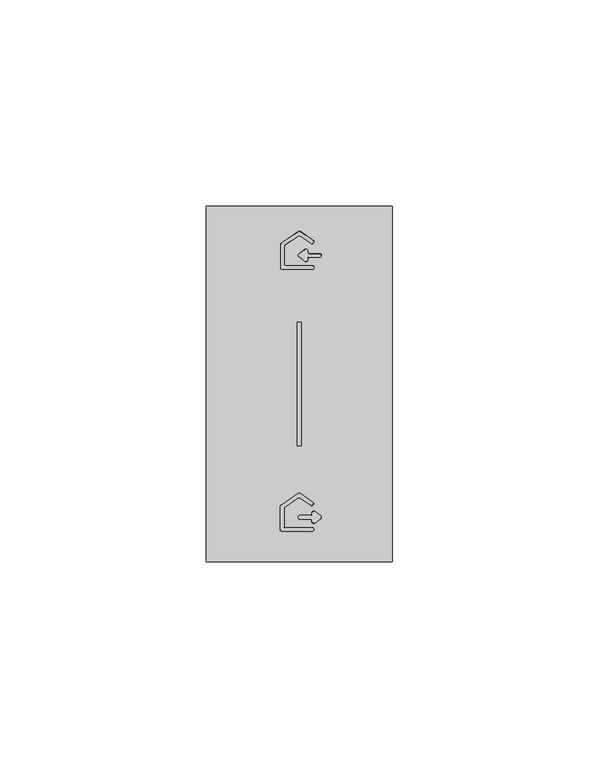
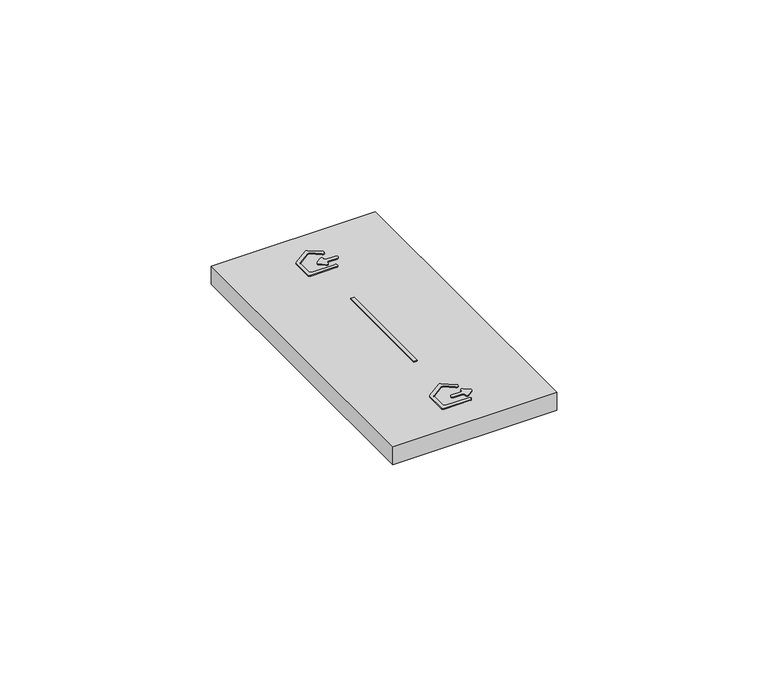
"""IFC4 building model written with IfcOpenShell, lengths in millimetres: proxy geometry."""

from ifc_helpers import new_model, si_unit, frame, origin, place, context, project, spatial, polyline, circle_curve, outline, extrude, source, transform, mapped, element, save
from ifc_brep_helpers import plane_surface, revolved_surface, advanced_brep


def electrical_fixtures_47d7e461(model_context):
    return source(origin(), model_context, "Body", "SolidModel", [
        advanced_brep(
        [(22.6469709, 10.269254, 10.9634475), (25.1969709, 10.269254, 10.9634475), (25.5500287, 9.9161962, 10.9634475), (25.5500287, 9.6612323, 10.9634475), (26.2721361, 9.3090369, 10.9634475), (27.6224284, 10.3640009, 10.9634475), (27.6224284, 11.0683915, 10.9634475), (26.2721361, 12.1233555, 10.9634475), (25.5500287, 11.7711602, 10.9634475), (25.5500287, 11.5161962, 10.9634475), (25.1969709, 11.1631385, 10.9634475), (22.6469709, 11.1631385, 10.9634475), (25.52698, 11.5161962, 10.7), (25.52698, 11.7711602, 10.7), (26.2863263, 12.1415181, 10.7), (27.6366186, 11.0865541, 10.7), (27.6366186, 10.3458383, 10.7), (26.2863263, 9.2908743, 10.7), (25.52698, 9.6612323, 10.7), (25.52698, 9.9161962, 10.7), (25.1969709, 10.2462053, 10.7), (22.6469709, 10.2462053, 10.7), (22.6469709, 11.1861872, 10.7), (25.1969709, 11.1861872, 10.7)],
        [
            (0, 1),
            (1, 2, circle_curve(frame((25.1969709, 9.9161962, 10.9634475), z_axis=(0.0, 0.0, -1.0), x_axis=(1.0000000000000002, 0.0, 0.0)), 0.3530577)),
            (2, 3),
            (3, 4, circle_curve(frame((25.9969709, 9.6612323, 10.9634475), z_axis=(0.0, 0.0, 1.0), x_axis=(-1.0000000000000002, 0.0, 0.0)), 0.4469423)),
            (4, 5),
            (5, 6, circle_curve(frame((27.3472632, 10.7161962, 10.9634475), z_axis=(0.0, 0.0, 1.0), x_axis=(0.615661475325737, -0.7880107536066608, 0.0)), 0.4469423)),
            (6, 7),
            (7, 8, circle_curve(frame((25.9969709, 11.7711602, 10.9634475), z_axis=(0.0, 0.0, 1.0), x_axis=(0.6156614753257342, 0.788010753606663, 0.0)), 0.4469423)),
            (8, 9),
            (9, 10, circle_curve(frame((25.1969709, 11.5161962, 10.9634475), z_axis=(0.0, 0.0, -1.0), x_axis=(0.0, -1.0000000000000002, 0.0)), 0.3530577)),
            (10, 11),
            (11, 0, circle_curve(frame((22.6469709, 10.7161962, 10.9634475), z_axis=(0.0, 0.0, 1.0), x_axis=(0.0, 1.0000000000000002, 0.0)), 0.4469423)),
            (12, 13),
            (13, 14, circle_curve(frame((25.9969709, 11.7711602, 10.7), z_axis=(0.0, 0.0, -1.0), x_axis=(0.6156614753257342, 0.788010753606663, 0.0)), 0.4699909)),
            (14, 15),
            (15, 16, circle_curve(frame((27.3472632, 10.7161962, 10.7), z_axis=(0.0, 0.0, -1.0), x_axis=(0.615661475325737, -0.7880107536066608, 0.0)), 0.4699909)),
            (16, 17),
            (17, 18, circle_curve(frame((25.9969709, 9.6612323, 10.7), z_axis=(0.0, 0.0, -1.0), x_axis=(-1.0000000000000002, 0.0, 0.0)), 0.4699909)),
            (18, 19),
            (19, 20, circle_curve(frame((25.1969709, 9.9161962, 10.7), z_axis=(0.0, 0.0, 1.0), x_axis=(1.0000000000000002, 0.0, 0.0)), 0.3300091)),
            (20, 21),
            (21, 22, circle_curve(frame((22.6469709, 10.7161962, 10.7), z_axis=(0.0, 0.0, -1.0), x_axis=(0.0, 1.0000000000000002, 0.0)), 0.4699909)),
            (22, 23),
            (23, 12, circle_curve(frame((25.1969709, 11.5161962, 10.7), z_axis=(0.0, 0.0, 1.0), x_axis=(0.0, -1.0000000000000002, 0.0)), 0.3300091)),
            (16, 5),
            (4, 17),
            (15, 6),
            (14, 7),
            (13, 8),
            (12, 9),
            (23, 10),
            (22, 11),
            (20, 1),
            (0, 21),
            (19, 2),
            (18, 3),
        ],
        [
            plane_surface(frame((22.4469709, 11.4661962, 10.9634475), z_axis=(0.0, 0.0, 1.0), x_axis=(1.0, 0.0, 0.0))),
            plane_surface(frame((22.4469709, 11.4661962, 10.7), z_axis=(0.0, 0.0, -1.0), x_axis=(1.0, 0.0, 0.0))),
            plane_surface(frame((23.4333997, 7.1507436, 11.5), z_axis=(0.6133186975351117, -0.7850121347851438, 0.08715574274771593), x_axis=(0.7880107536095832, 0.6156614753219962, 0.0))),
            revolved_surface(polyline([(27.622428417541567, 10.364000899266927, 10.9634475), (27.6366186, 10.3458383, 10.7)]), (27.3472632, 10.7161962, 16.0720209), (0.0, 0.0, -1.0)),
            plane_surface(frame((22.8471171, 14.739703, 11.5), z_axis=(0.6133186975322746, 0.7850121347873575, 0.08715574274773943), x_axis=(-0.7880107536118072, 0.6156614753191497, 0.0))),
            revolved_surface(polyline([(26.272136117541567, 12.123355500733075, 10.9634475), (26.2863263, 12.1415181, 10.7)]), (25.9969709, 11.7711602, 16.0720209), (0.0, 0.0, -1.0)),
            plane_surface(frame((25.5969709, 11.9475083, 11.5), z_axis=(-0.9961946980917439, 0.0, 0.0871557427476776), x_axis=(0.0, -1.0, 0.0))),
            revolved_surface(polyline([(25.1969709, 11.1631385, 10.9634475), (25.1969709, 11.18618716726766, 10.7)]), (25.1969709, 11.5161962, 6.9279791), (0.0, 0.0, 1.0)),
            plane_surface(frame((22.4469709, 11.1161962, 11.5), z_axis=(0.0, 0.9961946980917439, 0.0871557427476776), x_axis=(1.0, 0.0, 0.0))),
            plane_surface(frame((22.4469709, 10.3161962, 11.5), z_axis=(0.0, -0.9961946980917439, 0.0871557427476776), x_axis=(1.0, 0.0, 0.0))),
            revolved_surface(polyline([(25.5500287, 9.9161962, 10.9634475), (25.52698002620404, 9.9161962, 10.7)]), (25.1969709, 9.9161962, 6.9279791), (0.0, 0.0, 1.0)),
            revolved_surface(polyline([(25.550028668263323, 9.6612323, 10.9634475), (25.52698, 9.6612323, 10.7)]), (25.9969709, 9.6612323, 16.0720209), (0.0, 0.0, -1.0)),
            revolved_surface(polyline([(22.6469709, 11.16313852683261, 10.9634475), (22.6469709, 11.1861872, 10.7)]), (22.6469709, 10.7161962, 16.0720209), (0.0, 0.0, -1.0)),
        ],
        [
            (0, [[1, 2, 3, 4, 5, 6, 7, 8, 9, 10, 11, 12]]),
            (1, [[13, 14, 15, 16, 17, 18, 19, 20, 21, 22, 23, 24]]),
            (2, [[-17, 25, -5, 26]]),
            (3, [[-16, 27, -6, -25]]),
            (4, [[-15, 28, -7, -27]]),
            (5, [[-14, 29, -8, -28]]),
            (6, [[-13, 30, -9, -29]]),
            (7, [[-24, 31, -10, -30]]),
            (8, [[32, -11, -31, -23]]),
            (9, [[-21, 33, -1, 34]]),
            (10, [[-20, 35, -2, -33]]),
            (6, [[-19, 36, -3, -35]]),
            (11, [[-18, -26, -4, -36]]),
            (12, [[-22, -34, -12, -32]]),
        ],
    ),
        advanced_brep(
        [(25.5469709, 7.319254, 10.9634475), (25.5469709, 8.2131385, 10.9634475), (19.1469709, 8.2131385, 10.9634475), (18.7939132, 8.5661962, 10.9634475), (18.7939132, 12.8415158, 10.9634475), (18.9444653, 13.1307237, 10.9634475), (22.2444653, 15.4414086, 10.9634475), (22.6494765, 15.4414086, 10.9634475), (25.237793, 13.6290499, 10.9634475), (25.7505041, 14.3612772, 10.9634475), (22.7033265, 16.494934, 10.9634475), (22.1906154, 16.494934, 10.9634475), (18.0906154, 13.6240831, 10.9634475), (17.9000287, 13.2579694, 10.9634475), (17.9000287, 7.7661962, 10.9634475), (18.3469709, 7.319254, 10.9634475), (25.5469709, 8.2361872, 10.7), (25.5469709, 7.2962053, 10.7), (18.3469709, 7.2962053, 10.7), (17.87698, 7.7661962, 10.7), (17.87698, 13.2579694, 10.7), (18.0773952, 13.6429634, 10.7), (22.1773952, 16.5138143, 10.7), (22.7165467, 16.5138143, 10.7), (25.7637243, 14.3801576, 10.7), (25.2245728, 13.6101695, 10.7), (22.6362564, 15.4225282, 10.7), (22.2576855, 15.4225282, 10.7), (18.9576855, 13.1118434, 10.7), (18.8169619, 12.8415158, 10.7), (18.8169619, 8.5661962, 10.7), (19.1469709, 8.2361872, 10.7)],
        [
            (0, 1, circle_curve(frame((25.5469709, 7.7661962, 10.9634475), z_axis=(0.0, 0.0, 1.0), x_axis=(0.0, -1.0000000000000002, 0.0)), 0.4469423)),
            (1, 2),
            (2, 3, circle_curve(frame((19.1469709, 8.5661962, 10.9634475), z_axis=(0.0, 0.0, -1.0), x_axis=(-1.0000000000000002, 0.0, 0.0)), 0.3530577)),
            (3, 4),
            (4, 5, circle_curve(frame((19.1469709, 12.8415158, 10.9634475), z_axis=(0.0, 0.0, -1.0), x_axis=(-0.5735764363510132, 0.8191520442890151, 0.0)), 0.3530577)),
            (5, 6),
            (6, 7, circle_curve(frame((22.4469709, 15.1522006, 10.9634475), z_axis=(0.0, 0.0, -1.0), x_axis=(0.5735764363510097, 0.8191520442890176, 0.0)), 0.3530577)),
            (7, 8),
            (8, 9, circle_curve(frame((25.4941485, 13.9951636, 10.9634475), z_axis=(0.0, 0.0, 1.0), x_axis=(-0.5735764363510101, -0.8191520442890173, 0.0)), 0.4469423)),
            (9, 10),
            (10, 11, circle_curve(frame((22.4469709, 16.1288203, 10.9634475), z_axis=(0.0, 0.0, 1.0), x_axis=(0.5735764363510104, 0.8191520442890172, 0.0)), 0.4469423)),
            (11, 12),
            (12, 13, circle_curve(frame((18.3469709, 13.2579694, 10.9634475), z_axis=(0.0, 0.0, 1.0), x_axis=(-0.5735764363510132, 0.8191520442890152, 0.0)), 0.4469423)),
            (13, 14),
            (14, 15, circle_curve(frame((18.3469709, 7.7661962, 10.9634475), z_axis=(0.0, 0.0, 1.0), x_axis=(-1.0000000000000002, 0.0, 0.0)), 0.4469423)),
            (15, 0),
            (16, 17, circle_curve(frame((25.5469709, 7.7661962, 10.7), z_axis=(0.0, 0.0, -1.0), x_axis=(0.0, -1.0000000000000002, 0.0)), 0.4699909)),
            (17, 18),
            (18, 19, circle_curve(frame((18.3469709, 7.7661962, 10.7), z_axis=(0.0, 0.0, -1.0), x_axis=(-1.0000000000000002, 0.0, 0.0)), 0.4699909)),
            (19, 20),
            (20, 21, circle_curve(frame((18.3469709, 13.2579694, 10.7), z_axis=(0.0, 0.0, -1.0), x_axis=(-0.5735764363510132, 0.8191520442890152, 0.0)), 0.4699909)),
            (21, 22),
            (22, 23, circle_curve(frame((22.4469709, 16.1288203, 10.7), z_axis=(0.0, 0.0, -1.0), x_axis=(0.5735764363510104, 0.8191520442890172, 0.0)), 0.4699909)),
            (23, 24),
            (24, 25, circle_curve(frame((25.4941485, 13.9951636, 10.7), z_axis=(0.0, 0.0, -1.0), x_axis=(-0.5735764363510101, -0.8191520442890173, 0.0)), 0.4699909)),
            (25, 26),
            (26, 27, circle_curve(frame((22.4469709, 15.1522006, 10.7), z_axis=(0.0, 0.0, 1.0), x_axis=(0.5735764363510097, 0.8191520442890176, 0.0)), 0.3300091)),
            (27, 28),
            (28, 29, circle_curve(frame((19.1469709, 12.8415158, 10.7), z_axis=(0.0, 0.0, 1.0), x_axis=(-0.5735764363510132, 0.8191520442890151, 0.0)), 0.3300091)),
            (29, 30),
            (30, 31, circle_curve(frame((19.1469709, 8.5661962, 10.7), z_axis=(0.0, 0.0, 1.0), x_axis=(-1.0000000000000002, 0.0, 0.0)), 0.3300091)),
            (31, 16),
            (23, 10),
            (9, 24),
            (22, 11),
            (21, 12),
            (20, 13),
            (19, 14),
            (18, 15),
            (17, 0),
            (31, 2),
            (1, 16),
            (30, 3),
            (29, 4),
            (28, 5),
            (27, 6),
            (26, 7),
            (25, 8),
        ],
        [
            plane_surface(frame((22.4469709, 11.4661962, 10.9634475), z_axis=(0.0, 0.0, 1.0), x_axis=(1.0, 0.0, 0.0))),
            plane_surface(frame((22.4469709, 11.4661962, 10.7), z_axis=(0.0, 0.0, -1.0), x_axis=(1.0, 0.0, 0.0))),
            plane_surface(frame((22.8471171, 16.3369448, 11.5), z_axis=(0.5713938048422734, 0.816034923452397, 0.08715574274774218), x_axis=(0.8191520442896891, -0.5735764363500503, 0.0))),
            revolved_surface(polyline([(22.703326522362474, 16.494933936594304, 10.9634475), (22.7165467, 16.5138143, 10.7)]), (22.4469709, 16.1288203, 16.0720209), (0.0, 0.0, -1.0)),
            plane_surface(frame((22.8471171, 16.8973155, 11.5), z_axis=(-0.571393804832955, 0.8160349234589273, 0.08715574274769256), x_axis=(0.8191520442962407, 0.5735764363406937, 0.0))),
            revolved_surface(polyline([(18.09061537273346, 13.624083036594302, 10.9634475), (18.0773952, 13.6429634, 10.7)]), (18.3469709, 13.2579694, 16.0720209), (0.0, 0.0, -1.0)),
            plane_surface(frame((17.9469709, 11.9475083, 11.5), z_axis=(-0.9961946980917439, 0.0, 0.0871557427476776), x_axis=(0.0, -1.0, 0.0))),
            revolved_surface(polyline([(17.900028668263325, 7.7661962, 10.9634475), (17.87698, 7.7661962, 10.7)]), (18.3469709, 7.7661962, 16.0720209), (0.0, 0.0, -1.0)),
            plane_surface(frame((22.4469709, 7.3661962, 11.5), z_axis=(0.0, -0.9961946980917439, 0.0871557427476776), x_axis=(1.0, 0.0, 0.0))),
            plane_surface(frame((22.8471171, 8.1661962, 11.5), z_axis=(0.0, 0.9961946980917439, 0.0871557427476776), x_axis=(-1.0, 0.0, 0.0))),
            revolved_surface(polyline([(18.7939132, 8.5661962, 10.9634475), (18.816961867267658, 8.5661962, 10.7)]), (19.1469709, 8.5661962, 6.9279791), (0.0, 0.0, 1.0)),
            plane_surface(frame((18.7469709, 11.4661962, 11.5), z_axis=(0.9961946980917439, 0.0, 0.0871557427476776), x_axis=(0.0, 1.0, 0.0))),
            revolved_surface(polyline([(18.9444653, 13.1307237, 10.9634475), (18.957685473909923, 13.111843339485903, 10.7)]), (19.1469709, 12.8415158, 6.9279791), (0.0, 0.0, 1.0)),
            plane_surface(frame((22.8471171, 15.9206958, 11.5), z_axis=(0.5713938048422764, -0.8160349234523949, 0.08715574274774221), x_axis=(-0.819152044289687, -0.5735764363500533, 0.0))),
            revolved_surface(polyline([(22.6494765, 15.4414086, 10.9634475), (22.636256326090077, 15.422528232957603, 10.7)]), (22.4469709, 15.1522006, 6.9279791), (0.0, 0.0, 1.0)),
            plane_surface(frame((22.8471171, 15.3603251, 11.5), z_axis=(-0.5713938048470433, -0.8160349234490609, 0.08715574274770654), x_axis=(-0.8191520442863377, 0.5735764363548366, 0.0))),
            revolved_surface(polyline([(25.5469709, 7.319253968263325, 10.9634475), (25.5469709, 7.2962053, 10.7)]), (25.5469709, 7.7661962, 16.0720209), (0.0, 0.0, -1.0)),
            revolved_surface(polyline([(25.23779297273346, 13.629049868309764, 10.9634475), (25.2245728, 13.6101695, 10.7)]), (25.4941485, 13.9951636, 16.0720209), (0.0, 0.0, -1.0)),
        ],
        [
            (0, [[1, 2, 3, 4, 5, 6, 7, 8, 9, 10, 11, 12, 13, 14, 15, 16]]),
            (1, [[17, 18, 19, 20, 21, 22, 23, 24, 25, 26, 27, 28, 29, 30, 31, 32]]),
            (2, [[33, -10, 34, -24]]),
            (3, [[-23, 35, -11, -33]]),
            (4, [[36, -12, -35, -22]]),
            (5, [[-21, 37, -13, -36]]),
            (6, [[-20, 38, -14, -37]]),
            (7, [[-19, 39, -15, -38]]),
            (8, [[-18, 40, -16, -39]]),
            (9, [[-32, 41, -2, 42]]),
            (10, [[-31, 43, -3, -41]]),
            (11, [[-30, 44, -4, -43]]),
            (12, [[-29, 45, -5, -44]]),
            (13, [[46, -6, -45, -28]]),
            (14, [[-27, 47, -7, -46]]),
            (15, [[48, -8, -47, -26]]),
            (16, [[-17, -42, -1, -40]]),
            (17, [[-25, -34, -9, -48]]),
        ],
    ),
        advanced_brep(
        [(24.8628265, 74.5995559, 10.9533734), (24.5106303, 74.9517323, 10.9533734), (24.5106303, 75.206695, 10.9533734), (23.787099, 75.5595861, 10.9533734), (22.4367757, 74.5045979, 10.9533734), (22.4368067, 73.7988424, 10.9533734), (23.787098, 72.7438792, 10.9533734), (24.5106303, 73.0967683, 10.9533734), (24.5106303, 73.3517124, 10.9533734), (24.8628265, 73.7039086, 10.9533734), (27.4128265, 73.7039086, 10.9533734), (27.8606303, 74.1517521, 10.9533734), (27.4128067, 74.5995559, 10.9533734), (27.8827977, 74.1517612, 10.7), (27.4128357, 73.6817413, 10.7), (24.8628357, 73.6817413, 10.7), (24.5327976, 73.3517033, 10.7), (24.5327976, 73.0967683, 10.7), (23.77345, 72.7264115, 10.7), (22.4231591, 73.7813744, 10.7), (22.4231138, 74.5220547, 10.7), (23.7734514, 75.5770541, 10.7), (24.5327976, 75.2066944, 10.7), (24.5327976, 74.9517323, 10.7), (24.8628357, 74.6217232, 10.7), (27.4128067, 74.6217232, 10.7)],
        [
            (0, 1, circle_curve(frame((24.8629724, 74.951898, 10.9533734), z_axis=(0.0, 0.0, -1.0), x_axis=(-0.9999999142703148, -0.0004140765188228314, 0.0)), 0.3523421)),
            (1, 2),
            (2, 3, circle_curve(frame((24.0628118, 75.2067066, 10.9533734), z_axis=(0.0, 0.0, 1.0), x_axis=(0.9999999996608449, -2.604439838031709e-05, 0.0)), 0.4478186)),
            (3, 4),
            (4, 5, circle_curve(frame((22.7129321, 74.1517323, 10.9533734), z_axis=(0.0, 0.0, 1.0), x_axis=(-0.6163092908499913, 0.7875041955519863, 0.0)), 0.4480809)),
            (5, 6),
            (6, 7, circle_curve(frame((24.0628118, 73.0967579, 10.9533734), z_axis=(0.0, 0.0, 1.0), x_axis=(-0.6156819983828117, -0.787994718806762, 0.0)), 0.4478186)),
            (7, 8),
            (8, 9, circle_curve(frame((24.8629724, 73.3515666, 10.9533734), z_axis=(0.0, 0.0, -1.0), x_axis=(-0.00041407651882349213, 0.9999999142703149, 0.0)), 0.3523421)),
            (9, 10),
            (10, 11, circle_curve(frame((27.412641, 74.151898, 10.9533734), z_axis=(0.0, 0.0, 1.0), x_axis=(0.00041407651882217086, -0.9999999142703149, 0.0)), 0.4479894)),
            (11, 12, circle_curve(frame((27.412641, 74.1515666, 10.9533734), z_axis=(0.0, 0.0, 1.0), x_axis=(0.9999999142703148, 0.000414076518820932, 0.0)), 0.4479894)),
            (12, 0),
            (13, 14, circle_curve(frame((27.412641, 74.151898, 10.7), z_axis=(0.0, 0.0, -1.0), x_axis=(0.00041407651882217086, -0.9999999142703149, 0.0)), 0.4701567)),
            (14, 15),
            (15, 16, circle_curve(frame((24.8629724, 73.3515666, 10.7), z_axis=(0.0, 0.0, 1.0), x_axis=(-0.00041407651882349213, 0.9999999142703149, 0.0)), 0.3301748)),
            (16, 17),
            (17, 18, circle_curve(frame((24.0628118, 73.0967579, 10.7), z_axis=(0.0, 0.0, -1.0), x_axis=(-0.6156819983828117, -0.787994718806762, 0.0)), 0.4699858)),
            (18, 19),
            (19, 20, circle_curve(frame((22.7129321, 74.1517323, 10.7), z_axis=(0.0, 0.0, -1.0), x_axis=(-0.6163092908499913, 0.7875041955519863, 0.0)), 0.4702482)),
            (20, 21),
            (21, 22, circle_curve(frame((24.0628118, 75.2067066, 10.7), z_axis=(0.0, 0.0, -1.0), x_axis=(0.9999999996608449, -2.604439838031709e-05, 0.0)), 0.4699858)),
            (22, 23),
            (23, 24, circle_curve(frame((24.8629724, 74.951898, 10.7), z_axis=(0.0, 0.0, 1.0), x_axis=(-0.9999999142703148, -0.0004140765188228314, 0.0)), 0.3301748)),
            (24, 25),
            (25, 13, circle_curve(frame((27.412641, 74.1515666, 10.7), z_axis=(0.0, 0.0, -1.0), x_axis=(0.9999999142703148, 0.000414076518820932, 0.0)), 0.4701567)),
            (15, 9),
            (8, 16),
            (7, 17),
            (6, 18),
            (5, 19),
            (4, 20),
            (3, 21),
            (2, 22),
            (1, 23),
            (0, 24),
            (12, 25),
            (11, 13),
            (10, 14),
        ],
        [
            plane_surface(frame((22.5126748, 74.9017323, 10.9533734), z_axis=(0.0, 0.0, 1.0), x_axis=(1.0, 0.0, 0.0))),
            plane_surface(frame((22.5126748, 74.9017323, 10.7), z_axis=(0.0, 0.0, -1.0), x_axis=(1.0, 0.0, 0.0))),
            revolved_surface(polyline([(24.8628265, 73.7039086, 10.9533734), (24.862835679172843, 73.68174130652963, 10.7)]), (24.8629724, 73.3515666, 6.9260847), (0.0, 0.0, 1.0)),
            plane_surface(frame((24.4628067, 73.2242503, 11.5), z_axis=(0.9961946980917439, 0.0, 0.0871557427476776), x_axis=(0.0, -1.0, 0.0))),
            revolved_surface(polyline([(24.510630302025092, 73.09676780947476, 10.9533734), (24.5327976, 73.0967683, 10.7)]), (24.0628118, 73.0967579, 16.0719628), (0.0, 0.0, -1.0)),
            plane_surface(frame((23.141396, 73.309046, 11.5), z_axis=(-0.6133186975390488, -0.7850121347820685, 0.08715574274770735), x_axis=(-0.7880107536064958, 0.615661475325948, 0.0))),
            revolved_surface(polyline([(22.43681887500942, 73.79883291265288, 10.9533734), (22.4231591, 73.7813744, 10.7)]), (22.7129321, 74.1517323, 16.0749619), (0.0, 0.0, -1.0)),
            plane_surface(frame((23.141396, 74.9944185, 11.5), z_axis=(-0.6133186975390515, 0.7850121347820664, 0.08715574274770735), x_axis=(0.7880107536064935, 0.6156614753259507, 0.0))),
            revolved_surface(polyline([(23.787099340446154, 75.55958633100195, 10.9533734), (23.7734514, 75.5770541, 10.7)]), (24.0628118, 75.2067066, 16.0719628), (0.0, 0.0, -1.0)),
            plane_surface(frame((24.4628067, 75.0792142, 11.5), z_axis=(0.9961946980917439, 0.0, 0.0871557427476776), x_axis=(0.0, -1.0, 0.0))),
            revolved_surface(polyline([(24.5106303, 74.9517323, 10.9533734), (24.532797599761782, 74.95174272487279, 10.7)]), (24.8629724, 74.951898, 6.9260847), (0.0, 0.0, 1.0)),
            plane_surface(frame((22.5126748, 74.5517323, 11.5), z_axis=(0.0, 0.9961946980917439, 0.0871557427476776), x_axis=(1.0, 0.0, 0.0))),
            revolved_surface(polyline([(27.412798887451785, 74.59955590304345, 10.9533734), (27.4128067, 74.6217232, 10.7)]), (27.412641, 74.1515666, 16.0739153), (0.0, 0.0, -1.0)),
            revolved_surface(polyline([(27.860630398328578, 74.15176764994928, 10.9533734), (27.8827977, 74.1517612, 10.7)]), (27.412641, 74.151898, 16.0739153), (0.0, 0.0, -1.0)),
            plane_surface(frame((26.1378067, 73.7517323, 11.5), z_axis=(0.0, -0.9961946980917439, 0.0871557427476776), x_axis=(-1.0, 0.0, 0.0))),
        ],
        [
            (0, [[1, 2, 3, 4, 5, 6, 7, 8, 9, 10, 11, 12, 13]]),
            (1, [[14, 15, 16, 17, 18, 19, 20, 21, 22, 23, 24, 25, 26]]),
            (2, [[27, -9, 28, -16]]),
            (3, [[-17, -28, -8, 29]]),
            (4, [[-29, -7, 30, -18]]),
            (5, [[-19, -30, -6, 31]]),
            (6, [[-31, -5, 32, -20]]),
            (7, [[-21, -32, -4, 33]]),
            (8, [[-33, -3, 34, -22]]),
            (9, [[-23, -34, -2, 35]]),
            (10, [[-35, -1, 36, -24]]),
            (11, [[-36, -13, 37, -25]]),
            (12, [[-37, -12, 38, -26]]),
            (13, [[-38, -11, 39, -14]]),
            (14, [[-15, -39, -10, -27]]),
        ],
    ),
        advanced_brep(
        [(25.6126748, 70.7545114, 10.9602637), (25.6126748, 71.6489531, 10.9602637), (19.2126748, 71.6489531, 10.9602637), (18.8598956, 72.0017323, 10.9602637), (18.8598956, 76.2770518, 10.9602637), (19.010329, 76.5660316, 10.9602637), (22.310329, 78.8767165, 10.9602637), (22.7150206, 78.8767165, 10.9602637), (25.3033371, 77.0643578, 10.9602637), (25.8163677, 77.7970415, 10.9602637), (22.7691901, 79.9306982, 10.9602637), (22.2561595, 79.9306982, 10.9602637), (18.1561595, 77.0598473, 10.9602637), (17.965454, 76.6935054, 10.9602637), (17.965454, 71.2017323, 10.9602637), (18.4126748, 70.7545114, 10.9602637), (25.6126748, 71.6717232, 10.7), (25.6126748, 70.7317413, 10.7), (18.4126748, 70.7317413, 10.7), (17.9426839, 71.2017323, 10.7), (17.9426839, 76.6935054, 10.7), (18.1430991, 77.0784995, 10.7), (22.2430991, 79.9493504, 10.7), (22.7822505, 79.9493504, 10.7), (25.8294281, 77.8156936, 10.7), (25.2902767, 77.0457056, 10.7), (22.7019602, 78.8580643, 10.7), (22.3233894, 78.8580643, 10.7), (19.0233894, 76.5473794, 10.7), (18.8826657, 76.2770518, 10.7), (18.8826657, 72.0017323, 10.7), (19.2126748, 71.6717232, 10.7)],
        [
            (0, 1, circle_curve(frame((25.6126748, 71.2017323, 10.9602637), z_axis=(0.0, 0.0, 1.0), x_axis=(0.0, -1.0000000000000002, 0.0)), 0.4472208)),
            (1, 2),
            (2, 3, circle_curve(frame((19.2126748, 72.0017323, 10.9602637), z_axis=(0.0, 0.0, -1.0), x_axis=(-1.0000000000000002, 0.0, 0.0)), 0.3527792)),
            (3, 4),
            (4, 5, circle_curve(frame((19.2126748, 76.2770518, 10.9602637), z_axis=(0.0, 0.0, -1.0), x_axis=(-0.5735764363510127, 0.8191520442890153, 0.0)), 0.3527792)),
            (5, 6),
            (6, 7, circle_curve(frame((22.5126748, 78.5877367, 10.9602637), z_axis=(0.0, 0.0, -1.0), x_axis=(0.5735764363510095, 0.8191520442890176, 0.0)), 0.3527792)),
            (7, 8),
            (8, 9, circle_curve(frame((25.5598524, 77.4306996, 10.9602637), z_axis=(0.0, 0.0, 1.0), x_axis=(-0.5735764363510101, -0.8191520442890174, 0.0)), 0.4472208)),
            (9, 10),
            (10, 11, circle_curve(frame((22.5126748, 79.5643563, 10.9602637), z_axis=(0.0, 0.0, 1.0), x_axis=(0.5735764363510103, 0.8191520442890172, 0.0)), 0.4472208)),
            (11, 12),
            (12, 13, circle_curve(frame((18.4126748, 76.6935054, 10.9602637), z_axis=(0.0, 0.0, 1.0), x_axis=(-0.5735764363510132, 0.8191520442890152, 0.0)), 0.4472208)),
            (13, 14),
            (14, 15, circle_curve(frame((18.4126748, 71.2017323, 10.9602637), z_axis=(0.0, 0.0, 1.0), x_axis=(-1.0000000000000002, 0.0, 0.0)), 0.4472208)),
            (15, 0),
            (16, 17, circle_curve(frame((25.6126748, 71.2017323, 10.7), z_axis=(0.0, 0.0, -1.0), x_axis=(0.0, -1.0000000000000002, 0.0)), 0.4699909)),
            (17, 18),
            (18, 19, circle_curve(frame((18.4126748, 71.2017323, 10.7), z_axis=(0.0, 0.0, -1.0), x_axis=(-1.0000000000000002, 0.0, 0.0)), 0.4699909)),
            (19, 20),
            (20, 21, circle_curve(frame((18.4126748, 76.6935054, 10.7), z_axis=(0.0, 0.0, -1.0), x_axis=(-0.5735764363510132, 0.8191520442890152, 0.0)), 0.4699909)),
            (21, 22),
            (22, 23, circle_curve(frame((22.5126748, 79.5643563, 10.7), z_axis=(0.0, 0.0, -1.0), x_axis=(0.5735764363510103, 0.8191520442890172, 0.0)), 0.4699909)),
            (23, 24),
            (24, 25, circle_curve(frame((25.5598524, 77.4306996, 10.7), z_axis=(0.0, 0.0, -1.0), x_axis=(-0.5735764363510101, -0.8191520442890174, 0.0)), 0.4699909)),
            (25, 26),
            (26, 27, circle_curve(frame((22.5126748, 78.5877367, 10.7), z_axis=(0.0, 0.0, 1.0), x_axis=(0.5735764363510095, 0.8191520442890176, 0.0)), 0.3300091)),
            (27, 28),
            (28, 29, circle_curve(frame((19.2126748, 76.2770518, 10.7), z_axis=(0.0, 0.0, 1.0), x_axis=(-0.5735764363510127, 0.8191520442890153, 0.0)), 0.3300091)),
            (29, 30),
            (30, 31, circle_curve(frame((19.2126748, 72.0017323, 10.7), z_axis=(0.0, 0.0, 1.0), x_axis=(-1.0000000000000002, 0.0, 0.0)), 0.3300091)),
            (31, 16),
            (23, 10),
            (9, 24),
            (22, 11),
            (21, 12),
            (20, 13),
            (19, 14),
            (18, 15),
            (17, 0),
            (31, 2),
            (1, 16),
            (30, 3),
            (29, 4),
            (28, 5),
            (27, 6),
            (26, 7),
            (25, 8),
        ],
        [
            plane_surface(frame((22.5126748, 74.9017323, 10.9602637), z_axis=(0.0, 0.0, 1.0), x_axis=(1.0, 0.0, 0.0))),
            plane_surface(frame((22.5126748, 74.9017323, 10.7), z_axis=(0.0, 0.0, -1.0), x_axis=(1.0, 0.0, 0.0))),
            plane_surface(frame((22.912821, 79.7724808, 11.5), z_axis=(0.5713938048422734, 0.816034923452397, 0.08715574274774218), x_axis=(0.8191520442896891, -0.5735764363500503, 0.0))),
            revolved_surface(polyline([(22.769190094908858, 79.93069820359024, 10.9602637), (22.7822505, 79.9493504, 10.7)]), (22.5126748, 79.5643563, 16.0720209), (0.0, 0.0, -1.0)),
            plane_surface(frame((22.912821, 80.3328515, 11.5), z_axis=(-0.571393804832955, 0.8160349234589273, 0.08715574274769256), x_axis=(0.8191520442962407, 0.5735764363406937, 0.0))),
            revolved_surface(polyline([(18.156159505091143, 77.05984730359025, 10.9602637), (18.1430991, 77.0784995, 10.7)]), (18.4126748, 76.6935054, 16.0720209), (0.0, 0.0, -1.0)),
            plane_surface(frame((18.0126748, 75.3830443, 11.5), z_axis=(-0.9961946980917439, 0.0, 0.0871557427476776), x_axis=(0.0, -1.0, 0.0))),
            revolved_surface(polyline([(17.965454021873562, 71.2017323, 10.9602637), (17.9426839, 71.2017323, 10.7)]), (18.4126748, 71.2017323, 16.0720209), (0.0, 0.0, -1.0)),
            plane_surface(frame((22.5126748, 70.8017323, 11.5), z_axis=(0.0, -0.9961946980917439, 0.0871557427476776), x_axis=(1.0, 0.0, 0.0))),
            plane_surface(frame((22.912821, 71.6017323, 11.5), z_axis=(0.0, 0.9961946980917439, 0.0871557427476776), x_axis=(-1.0, 0.0, 0.0))),
            revolved_surface(polyline([(18.8598956, 72.0017323, 10.9602637), (18.88266572388338, 72.0017323, 10.7)]), (19.2126748, 72.0017323, 6.9279791), (0.0, 0.0, 1.0)),
            plane_surface(frame((18.8126748, 74.9017323, 11.5), z_axis=(0.9961946980917439, 0.0, 0.0871557427476776), x_axis=(0.0, 1.0, 0.0))),
            revolved_surface(polyline([(19.010329, 76.5660316, 10.9602637), (19.02338940416578, 76.54737940665699, 10.7)]), (19.2126748, 76.2770518, 6.9279791), (0.0, 0.0, 1.0)),
            plane_surface(frame((22.912821, 79.3562319, 11.5), z_axis=(0.5713938048422764, -0.8160349234523949, 0.08715574274774221), x_axis=(-0.819152044289687, -0.5735764363500533, 0.0))),
            revolved_surface(polyline([(22.7150206, 78.8767165, 10.9602637), (22.701960195834218, 78.85806430665698, 10.7)]), (22.5126748, 78.5877367, 6.9279791), (0.0, 0.0, 1.0)),
            plane_surface(frame((22.912821, 78.7958612, 11.5), z_axis=(-0.5713938048470433, -0.8160349234490609, 0.08715574274770654), x_axis=(-0.8191520442863377, 0.5735764363548366, 0.0))),
            revolved_surface(polyline([(25.6126748, 70.75451142671837, 10.9602637), (25.6126748, 70.7317413, 10.7)]), (25.6126748, 71.2017323, 16.0720209), (0.0, 0.0, -1.0)),
            revolved_surface(polyline([(25.303337105091142, 77.06435779156497, 10.9602637), (25.2902767, 77.0457056, 10.7)]), (25.5598524, 77.4306996, 16.0720209), (0.0, 0.0, -1.0)),
        ],
        [
            (0, [[1, 2, 3, 4, 5, 6, 7, 8, 9, 10, 11, 12, 13, 14, 15, 16]]),
            (1, [[17, 18, 19, 20, 21, 22, 23, 24, 25, 26, 27, 28, 29, 30, 31, 32]]),
            (2, [[33, -10, 34, -24]]),
            (3, [[-23, 35, -11, -33]]),
            (4, [[36, -12, -35, -22]]),
            (5, [[-21, 37, -13, -36]]),
            (6, [[-20, 38, -14, -37]]),
            (7, [[-19, 39, -15, -38]]),
            (8, [[-18, 40, -16, -39]]),
            (9, [[-32, 41, -2, 42]]),
            (10, [[-31, 43, -3, -41]]),
            (11, [[-30, 44, -4, -43]]),
            (12, [[-29, 45, -5, -44]]),
            (13, [[46, -6, -45, -28]]),
            (14, [[-27, 47, -7, -46]]),
            (15, [[48, -8, -47, -26]]),
            (16, [[-17, -42, -1, -40]]),
            (17, [[-25, -34, -9, -48]]),
        ],
    ),
        extrude(outline(polyline([(22.0, 58.0), (23.0, 58.0), (23.0, 28.0), (22.0, 28.0), (22.0, 58.0)])), frame((0.0, 0.0, 5.5), z_axis=(0.0, 0.0, 1.0), x_axis=(1.0, 0.0, 0.0)), (0.0, 0.0, 1.0), 5.2),
        extrude(outline(polyline([(0.0, 0.0), (0.0, 86.0), (45.0, 86.0), (45.0, 0.0), (0.0, 0.0)]), holes=[polyline([(22.0, 58.0), (22.0, 28.0), (23.0, 28.0), (23.0, 58.0), (22.0, 58.0)])]), frame((0.0, 0.0, 5.5), z_axis=(0.0, 0.0, 1.0), x_axis=(1.0, 0.0, 0.0)), (0.0, 0.0, 1.0), 5.2),
    ])


if __name__ == "__main__":
    model = new_model("IFC4")
    model_context = context("Model", 3, world=origin())
    ifc_project = project(units=[si_unit("LENGTHUNIT", "METRE", prefix="MILLI")], contexts=[model_context])
    site = spatial("IfcSite", under=ifc_project)
    building = spatial("IfcBuilding", under=site)
    placement = place(None, origin())
    electrical_fixtures_shape = electrical_fixtures_47d7e461(model_context)
    element("IfcBuildingElementProxy", 1, Name="Electrical Fixtures", at=placement, inside=building, context=model_context, shape_type="MappedRepresentation", body=[
        mapped(electrical_fixtures_shape, transform((0.0, 0.0, 0.0), x_axis=(1.0, 0.0, 0.0), y_axis=(0.0, 1.0, 0.0), z_axis=(0.0, 0.0, 1.0))),
    ])
    save(model, "model.ifc")
